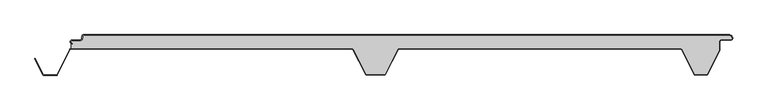
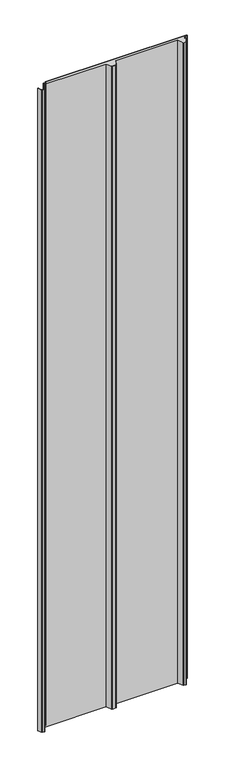
"""IFC4 building model written with IfcOpenShell, lengths in millimetres: proxy geometry."""

from ifc_helpers import new_model, si_unit, point, frame_2d, origin, origin_with_axes, place, context, project, spatial, polyline, circle_curve, trimmed, segment, composite_curve, outline, extrude, source, transform, mapped, element, save


def generic_models_729bb2f1(model_context):
    return source(origin(), model_context, "Body", "SweptSolid", [
        extrude(outline(composite_curve([segment(polyline([(548.7649646, -5.5), (547.9649646, -5.5)]), True, "CONTINUOUS"), segment(trimmed(circle_curve(frame_2d((543.2649646, -5.5)), 4.7), [point((547.9649646, -5.5))], [point((543.2649646, -0.8))], True, "CARTESIAN"), True, "CONTINUOUS"), segment(polyline([(543.2649646, -0.8), (-448.7436881, -0.8)]), True, "CONTINUOUS"), segment(trimmed(circle_curve(frame_2d((-448.7436881, -2.5)), 1.7), [point((-448.7436881, -0.8))], [point((-450.4436881, -2.5))], True, "CARTESIAN"), True, "CONTINUOUS"), segment(polyline([(-450.4436881, -2.5), (-450.4436881, -5.5)]), True, "CONTINUOUS"), segment(trimmed(circle_curve(frame_2d((-453.7436881, -5.5)), 3.3), [point((-450.4436881, -5.5))], [point((-453.7436881, -8.8))], False, "CARTESIAN"), True, "CONTINUOUS"), segment(polyline([(-453.7436881, -8.8), (-466.2436881, -8.8)]), True, "CONTINUOUS"), segment(trimmed(circle_curve(frame_2d((-466.2436881, -11.0)), 2.2), [point((-466.2436881, -8.8))], [point((-466.2436881, -13.2))], True, "CARTESIAN"), True, "CONTINUOUS"), segment(polyline([(-466.2436881, -13.2), (-466.2436881, -14.0)]), True, "CONTINUOUS"), segment(trimmed(circle_curve(frame_2d((-466.2436881, -11.0)), 3.0), [point((-466.2436881, -14.0))], [point((-466.2436881, -8.0))], False, "CARTESIAN"), True, "CONTINUOUS"), segment(polyline([(-466.2436881, -8.0), (-453.7436881, -8.0)]), True, "CONTINUOUS"), segment(trimmed(circle_curve(frame_2d((-453.7436881, -5.5)), 2.5), [point((-453.7436881, -8.0))], [point((-451.2436881, -5.5))], True, "CARTESIAN"), True, "CONTINUOUS"), segment(polyline([(-451.2436881, -5.5), (-451.2436881, -2.5)]), True, "CONTINUOUS"), segment(trimmed(circle_curve(frame_2d((-448.7436881, -2.5)), 2.5), [point((-451.2436881, -2.5))], [point((-448.7436881, 0.0))], False, "CARTESIAN"), True, "CONTINUOUS"), segment(polyline([(-448.7436881, 0.0), (543.2649646, 0.0)]), True, "CONTINUOUS"), segment(trimmed(circle_curve(frame_2d((543.2649646, -5.5)), 5.5), [point((543.2649646, 0.0))], [point((548.7649646, -5.5))], False, "CARTESIAN"), True, "CONTINUOUS")], self_intersect=False)), origin_with_axes(), (0.0, 0.0, 1.0), 4800.0),
        extrude(outline(composite_curve([segment(trimmed(circle_curve(frame_2d((-466.2436881, -11.0)), 2.2), [point((-466.2436881, -13.2))], [point((-466.2436881, -8.8))], False, "CARTESIAN"), True, "CONTINUOUS"), segment(polyline([(-466.2436881, -8.8), (-453.7436881, -8.8)]), True, "CONTINUOUS"), segment(trimmed(circle_curve(frame_2d((-453.7436881, -5.5)), 3.3), [point((-453.7436881, -8.8))], [point((-450.4436881, -5.5))], True, "CARTESIAN"), True, "CONTINUOUS"), segment(polyline([(-450.4436881, -5.5), (-450.4436881, -2.5)]), True, "CONTINUOUS"), segment(trimmed(circle_curve(frame_2d((-448.7436881, -2.5)), 1.7), [point((-450.4436881, -2.5))], [point((-448.7436881, -0.8))], False, "CARTESIAN"), True, "CONTINUOUS"), segment(polyline([(-448.7436881, -0.8), (543.2649646, -0.8)]), True, "CONTINUOUS"), segment(trimmed(circle_curve(frame_2d((543.2649646, -5.5)), 4.7), [point((543.2649646, -0.8))], [point((547.9649646, -5.5))], False, "CARTESIAN"), True, "CONTINUOUS"), segment(trimmed(circle_curve(frame_2d((546.2649646, -5.5)), 1.7), [point((547.9649646, -5.5))], [point((546.2649646, -7.2))], False, "CARTESIAN"), True, "CONTINUOUS"), segment(polyline([(546.2649646, -7.2), (532.2649646, -7.2)]), True, "CONTINUOUS"), segment(trimmed(circle_curve(frame_2d((532.2649646, -11.5)), 4.3), [point((532.2649646, -7.2))], [point((527.9649646, -11.5))], True, "CARTESIAN"), True, "CONTINUOUS"), segment(polyline([(527.9649646, -11.5), (527.9649646, -24.2845037), (509.9197036, -60.420139)]), True, "CONTINUOUS"), segment(trimmed(circle_curve(frame_2d((508.5777279, -59.7499888)), 1.5), [point((509.9197036, -60.420139))], [point((508.5777279, -61.2499888))], False, "CARTESIAN"), True, "CONTINUOUS"), segment(polyline([(508.5777279, -61.2499888), (491.4395777, -61.2499888)]), True, "CONTINUOUS"), segment(trimmed(circle_curve(frame_2d((491.4395777, -59.7499888)), 1.5), [point((491.4395777, -61.2499888))], [point((490.097602, -60.420139))], False, "CARTESIAN"), True, "CONTINUOUS"), segment(polyline([(490.097602, -60.420139), (471.3684498, -22.9150118)]), True, "CONTINUOUS"), segment(trimmed(circle_curve(frame_2d((468.5950334, -24.2999888)), 3.1), [point((471.3684498, -22.9150118))], [point((468.5950334, -21.1999888))], True, "CARTESIAN"), True, "CONTINUOUS"), segment(polyline([(468.5950334, -21.1999888), (36.4222721, -21.1999888)]), True, "CONTINUOUS"), segment(trimmed(circle_curve(frame_2d((36.4222721, -24.2999888)), 3.1), [point((36.4222721, -21.1999888))], [point((33.6488557, -22.9150118))], True, "CARTESIAN"), True, "CONTINUOUS"), segment(polyline([(33.6488557, -22.9150118), (14.9197036, -60.420139)]), True, "CONTINUOUS"), segment(trimmed(circle_curve(frame_2d((13.5777279, -59.7499888)), 1.5), [point((14.9197036, -60.420139))], [point((13.5777279, -61.2499888))], False, "CARTESIAN"), True, "CONTINUOUS"), segment(polyline([(13.5777279, -61.2499888), (-13.5777279, -61.2499888)]), True, "CONTINUOUS"), segment(trimmed(circle_curve(frame_2d((-13.5777279, -59.7499888)), 1.5), [point((-13.5777279, -61.2499888))], [point((-14.9197036, -60.420139))], False, "CARTESIAN"), True, "CONTINUOUS"), segment(polyline([(-14.9197036, -60.420139), (-33.6488557, -22.9150118)]), True, "CONTINUOUS"), segment(trimmed(circle_curve(frame_2d((-36.4222721, -24.2999888)), 3.1), [point((-33.6488557, -22.9150118))], [point((-36.4222721, -21.1999888))], True, "CARTESIAN"), True, "CONTINUOUS"), segment(polyline([(-36.4222721, -21.1999888), (-467.612692, -21.1999888), (-467.612692, -13.6694247)]), True, "CONTINUOUS"), segment(trimmed(circle_curve(frame_2d((-466.2436881, -11.0)), 3.0), [point((-467.612692, -13.6694247))], [point((-466.2436881, -14.0))], True, "CARTESIAN"), True, "CONTINUOUS"), segment(polyline([(-466.2436881, -14.0), (-466.2436881, -13.2)]), True, "CONTINUOUS")], self_intersect=False)), origin_with_axes(), (0.0, 0.0, 1.0), 4800.0),
        extrude(outline(composite_curve([segment(polyline([(-523.5365904, -36.9174383), (-522.82087, -36.5600249), (-510.4107041, -61.411382)]), True, "CONTINUOUS"), segment(trimmed(circle_curve(frame_2d((-509.0687284, -60.7412319)), 1.5), [point((-510.4107041, -61.411382))], [point((-509.0687284, -62.2412319))], True, "CARTESIAN"), True, "CONTINUOUS"), segment(polyline([(-509.0687284, -62.2412319), (-490.9312716, -62.2412319)]), True, "CONTINUOUS"), segment(trimmed(circle_curve(frame_2d((-490.9312716, -60.7412319)), 1.5), [point((-490.9312716, -62.2412319))], [point((-489.5890038, -61.4107968))], True, "CARTESIAN"), True, "CONTINUOUS"), segment(polyline([(-489.5890038, -61.4107968), (-470.3867121, -22.9162213)]), True, "CONTINUOUS"), segment(trimmed(circle_curve(frame_2d((-467.612692, -24.2999888)), 3.1), [point((-470.3867121, -22.9162213))], [point((-467.612692, -21.1999888))], False, "CARTESIAN"), True, "CONTINUOUS"), segment(polyline([(-467.612692, -21.1999888), (-36.4222721, -21.1999888)]), True, "CONTINUOUS"), segment(trimmed(circle_curve(frame_2d((-36.4222721, -24.2999888)), 3.1), [point((-36.4222721, -21.1999888))], [point((-33.6488557, -22.9150118))], False, "CARTESIAN"), True, "CONTINUOUS"), segment(polyline([(-33.6488557, -22.9150118), (-14.9197036, -60.420139)]), True, "CONTINUOUS"), segment(trimmed(circle_curve(frame_2d((-13.5777279, -59.7499888)), 1.5), [point((-14.9197036, -60.420139))], [point((-13.5777279, -61.2499888))], True, "CARTESIAN"), True, "CONTINUOUS"), segment(polyline([(-13.5777279, -61.2499888), (13.5777279, -61.2499888)]), True, "CONTINUOUS"), segment(trimmed(circle_curve(frame_2d((13.5777279, -59.7499888)), 1.5), [point((13.5777279, -61.2499888))], [point((14.9197036, -60.420139))], True, "CARTESIAN"), True, "CONTINUOUS"), segment(polyline([(14.9197036, -60.420139), (33.6488557, -22.9150118)]), True, "CONTINUOUS"), segment(trimmed(circle_curve(frame_2d((36.4222721, -24.2999888)), 3.1), [point((33.6488557, -22.9150118))], [point((36.4222721, -21.1999888))], False, "CARTESIAN"), True, "CONTINUOUS"), segment(polyline([(36.4222721, -21.1999888), (468.5950334, -21.1999888)]), True, "CONTINUOUS"), segment(trimmed(circle_curve(frame_2d((468.5950334, -24.2999888)), 3.1), [point((468.5950334, -21.1999888))], [point((471.3684498, -22.9150118))], False, "CARTESIAN"), True, "CONTINUOUS"), segment(polyline([(471.3684498, -22.9150118), (490.097602, -60.420139)]), True, "CONTINUOUS"), segment(trimmed(circle_curve(frame_2d((491.4395777, -59.7499888)), 1.5), [point((490.097602, -60.420139))], [point((491.4395777, -61.2499888))], True, "CARTESIAN"), True, "CONTINUOUS"), segment(polyline([(491.4395777, -61.2499888), (508.5777279, -61.2499888)]), True, "CONTINUOUS"), segment(trimmed(circle_curve(frame_2d((508.5777279, -59.7499888)), 1.5), [point((508.5777279, -61.2499888))], [point((509.9197036, -60.420139))], True, "CARTESIAN"), True, "CONTINUOUS"), segment(polyline([(509.9197036, -60.420139), (527.9649646, -24.2845037), (527.9649646, -11.5)]), True, "CONTINUOUS"), segment(trimmed(circle_curve(frame_2d((532.2649646, -11.5)), 4.3), [point((527.9649646, -11.5))], [point((532.2649646, -7.2))], False, "CARTESIAN"), True, "CONTINUOUS"), segment(polyline([(532.2649646, -7.2), (546.2649646, -7.2)]), True, "CONTINUOUS"), segment(trimmed(circle_curve(frame_2d((546.2649646, -5.5)), 1.7), [point((546.2649646, -7.2))], [point((547.9649646, -5.5))], True, "CARTESIAN"), True, "CONTINUOUS"), segment(polyline([(547.9649646, -5.5), (548.7649646, -5.5)]), True, "CONTINUOUS"), segment(trimmed(circle_curve(frame_2d((546.2649646, -5.5)), 2.5), [point((548.7649646, -5.5))], [point((546.2649646, -8.0))], False, "CARTESIAN"), True, "CONTINUOUS"), segment(polyline([(546.2649646, -8.0), (532.2649646, -8.0)]), True, "CONTINUOUS"), segment(trimmed(circle_curve(frame_2d((532.2649646, -11.5)), 3.5), [point((532.2649646, -8.0))], [point((528.7649646, -11.5))], True, "CARTESIAN"), True, "CONTINUOUS"), segment(polyline([(528.7649646, -11.5), (528.7649646, -24.4731472), (510.6354239, -60.7775524)]), True, "CONTINUOUS"), segment(trimmed(circle_curve(frame_2d((508.5777279, -59.7499888)), 2.3), [point((510.6354239, -60.7775524))], [point((508.5777279, -62.0499888))], False, "CARTESIAN"), True, "CONTINUOUS"), segment(polyline([(508.5777279, -62.0499888), (491.4395777, -62.0499888)]), True, "CONTINUOUS"), segment(trimmed(circle_curve(frame_2d((491.4395777, -59.7499888)), 2.3), [point((491.4395777, -62.0499888))], [point((489.3818816, -60.7775524))], False, "CARTESIAN"), True, "CONTINUOUS"), segment(polyline([(489.3818816, -60.7775524), (470.6527295, -23.2724252)]), True, "CONTINUOUS"), segment(trimmed(circle_curve(frame_2d((468.5950334, -24.2999888)), 2.3), [point((470.6527295, -23.2724252))], [point((468.5950334, -21.9999888))], True, "CARTESIAN"), True, "CONTINUOUS"), segment(polyline([(468.5950334, -21.9999888), (36.4222721, -21.9999888)]), True, "CONTINUOUS"), segment(trimmed(circle_curve(frame_2d((36.4222721, -24.2999888)), 2.3), [point((36.4222721, -21.9999888))], [point((34.3645761, -23.2724252))], True, "CARTESIAN"), True, "CONTINUOUS"), segment(polyline([(34.3645761, -23.2724252), (15.6354239, -60.7775524)]), True, "CONTINUOUS"), segment(trimmed(circle_curve(frame_2d((13.5777279, -59.7499888)), 2.3), [point((15.6354239, -60.7775524))], [point((13.5777279, -62.0499888))], False, "CARTESIAN"), True, "CONTINUOUS"), segment(polyline([(13.5777279, -62.0499888), (-13.5777279, -62.0499888)]), True, "CONTINUOUS"), segment(trimmed(circle_curve(frame_2d((-13.5777279, -59.7499888)), 2.3), [point((-13.5777279, -62.0499888))], [point((-15.6354239, -60.7775524))], False, "CARTESIAN"), True, "CONTINUOUS"), segment(polyline([(-15.6354239, -60.7775524), (-34.3645761, -23.2724252)]), True, "CONTINUOUS"), segment(trimmed(circle_curve(frame_2d((-36.4222721, -24.2999888)), 2.3), [point((-34.3645761, -23.2724252))], [point((-36.4222721, -21.9999888))], True, "CARTESIAN"), True, "CONTINUOUS"), segment(polyline([(-36.4222721, -21.9999888), (-467.612692, -21.9999888)]), True, "CONTINUOUS"), segment(trimmed(circle_curve(frame_2d((-467.612692, -24.2999888)), 2.3), [point((-467.612692, -21.9999888))], [point((-469.6708359, -23.2733226))], True, "CARTESIAN"), True, "CONTINUOUS"), segment(polyline([(-469.6708359, -23.2733226), (-488.8731276, -61.7678981)]), True, "CONTINUOUS"), segment(trimmed(circle_curve(frame_2d((-490.9312716, -60.7412319)), 2.3), [point((-488.8731276, -61.7678981))], [point((-490.9312716, -63.0412319))], False, "CARTESIAN"), True, "CONTINUOUS"), segment(polyline([(-490.9312716, -63.0412319), (-509.0687284, -63.0412319)]), True, "CONTINUOUS"), segment(trimmed(circle_curve(frame_2d((-509.0687284, -60.7412319)), 2.3), [point((-509.0687284, -63.0412319))], [point((-511.1264245, -61.7687954))], False, "CARTESIAN"), True, "CONTINUOUS"), segment(polyline([(-511.1264245, -61.7687954), (-523.5365904, -36.9174383)]), True, "CONTINUOUS")], self_intersect=False)), origin_with_axes(), (0.0, 0.0, 1.0), 4800.0),
    ])


if __name__ == "__main__":
    model = new_model("IFC4")
    model_context = context("Model", 3, world=origin())
    ifc_project = project(units=[si_unit("LENGTHUNIT", "METRE", prefix="MILLI")], contexts=[model_context])
    site = spatial("IfcSite", under=ifc_project)
    building = spatial("IfcBuilding", under=site)
    placement = place(None, origin())
    generic_models_shape = generic_models_729bb2f1(model_context)
    element("IfcBuildingElementProxy", 1, Name="Generic Models", at=placement, inside=building, context=model_context, shape_type="MappedRepresentation", body=[
        mapped(generic_models_shape, transform((0.0, 0.0, 0.0), x_axis=(1.0, 0.0, 0.0), y_axis=(0.0, 1.0, 0.0), z_axis=(0.0, 0.0, 1.0))),
    ])
    save(model, "model.ifc")
